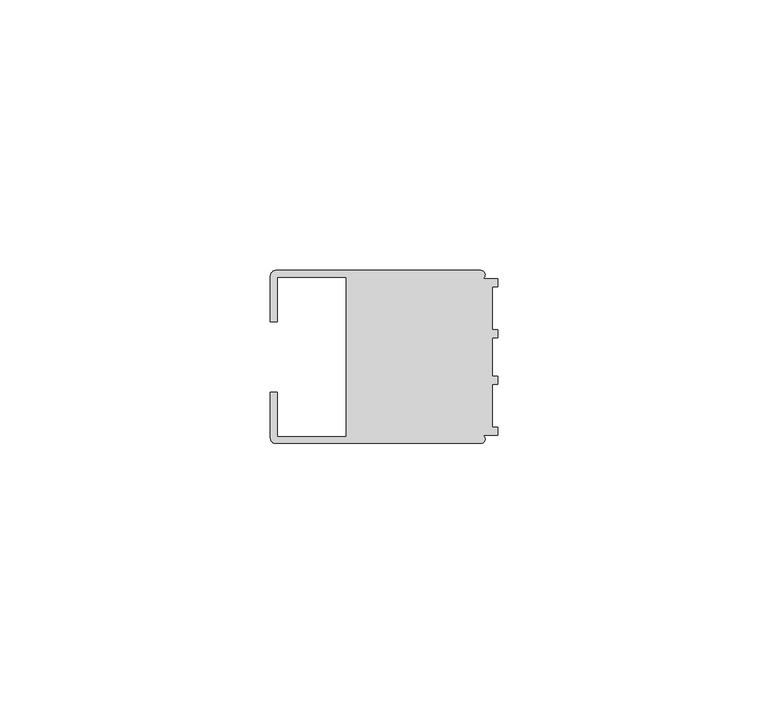
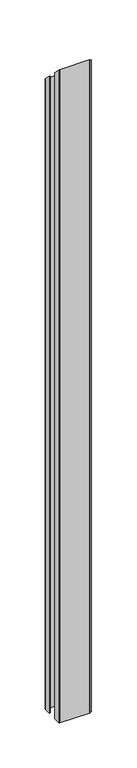
"""IFC4 building model written with IfcOpenShell, lengths in millimetres: member geometry."""

from ifc_helpers import new_model, si_unit, frame, origin, place, context, project, spatial, circle_curve, ellipse_curve, source, transform, mapped, element, save
from ifc_brep_helpers import plane_surface, cylinder_surface, advanced_brep


def member_e1ceaba9(model_context):
    return source(origin(), model_context, "Body", "AdvancedBrep", [
        advanced_brep(
        [(-42.0, -6.4992596, -872.7561968), (-40.7495396, -6.4992596, -872.7561968), (-40.7495396, -14.748825, -872.7561968), (-28.0, -14.748825, -872.7561968), (-28.0, 14.7490791, -872.7561968), (-40.7495396, 14.7490791, -872.7561968), (-40.7495396, 6.4995138, -872.7561968), (-42.0, 6.4995138, -872.7561968), (-42.0, 14.9988146, -872.7561968), (-40.9988146, 16.0, -872.7561968), (-3.1117213, 16.0, -872.7561968), (-2.7237818, 14.5004469, -872.7561968), (0.0, 14.5004469, -872.7561968), (0.0, 13.0002136, -872.7561968), (-0.999267, 13.0002136, -872.7561968), (-0.999267, 5.0005709, -872.7561968), (0.0, 5.0005709, -872.7561968), (0.0, 3.5391588, -872.7561968), (-0.999267, 3.5001879, -872.7561968), (-0.999267, -3.5001879, -872.7561968), (0.0, -3.5378881, -872.7561968), (0.0, -4.9993001, -872.7561968), (-0.999267, -4.9993001, -872.7561968), (-0.999267, -12.9993664, -872.7561968), (0.0, -12.9993664, -872.7561968), (0.0, -14.4989182, -872.7561968), (-2.7260256, -14.4989182, -872.7561968), (-3.1385263, -16.0, -872.7561968), (-40.998921, -16.0, -872.7561968), (-42.0, -14.998921, -872.7561968), (-42.0, -14.998921, 14.998921), (-42.0, -6.4992596, 6.4992596), (-40.998921, -16.0, 16.0), (-3.1385263, -16.0, 16.0), (-2.7260256, -14.4989182, 14.4989182), (0.0, -14.4989182, 14.4989182), (0.0, -12.9993664, 12.9993664), (-0.999267, -12.9993664, 12.9993664), (-0.999267, -4.9993001, 4.9993001), (0.0, -4.9993001, 4.9993001), (0.0, -3.5378881, 3.5378881), (-0.999267, -3.5001879, 3.5001879), (-0.999267, 3.5001879, -3.5001879), (0.0, 3.5391588, -3.5391588), (0.0, 5.0005709, -5.0005709), (-0.999267, 5.0005709, -5.0005709), (-0.999267, 13.0002136, -13.0002136), (0.0, 13.0002136, -13.0002136), (0.0, 14.5004469, -14.5004469), (-2.7237818, 14.5004469, -14.5004469), (-3.1117213, 16.0, -16.0), (-40.9988146, 16.0, -16.0), (-42.0, 14.9988146, -14.9988146), (-42.0, 6.4995138, -6.4995138), (-40.7495396, 6.4995138, -6.4995138), (-40.7495396, 14.7490791, -14.7490791), (-28.0, 14.7490791, -14.7490791), (-28.0, -14.748825, 14.748825), (-40.7495396, -14.748825, 14.748825), (-40.7495396, -6.4992596, 6.4992596)],
        [
            (0, 1),
            (1, 2),
            (2, 3),
            (3, 4),
            (4, 5),
            (5, 6),
            (6, 7),
            (7, 8),
            (8, 9, circle_curve(frame((-40.9988146, 14.9988146, -872.7561968), z_axis=(0.0, 0.0, -1.0), x_axis=(1.0, 0.0, 0.0)), 1.0011854)),
            (9, 10),
            (10, 11, circle_curve(frame((-3.1117213, 15.2000428, -872.7561968), z_axis=(0.0, 0.0, -1.0), x_axis=(1.0, 0.0, 0.0)), 0.7999572)),
            (11, 12),
            (12, 13),
            (13, 14),
            (14, 15),
            (15, 16),
            (16, 17),
            (17, 18),
            (18, 19),
            (19, 20),
            (20, 21),
            (21, 22),
            (22, 23),
            (23, 24),
            (24, 25),
            (25, 26),
            (26, 27, circle_curve(frame((-3.1117577, -15.2001372, -872.7561968), z_axis=(0.0, 0.0, -1.0), x_axis=(1.0, 0.0, 0.0)), 0.8003107)),
            (27, 28),
            (28, 29, circle_curve(frame((-40.998921, -14.998921, -872.7561968), z_axis=(0.0, 0.0, -1.0), x_axis=(1.0, 0.0, 0.0)), 1.001079)),
            (29, 0),
            (30, 31),
            (31, 0),
            (29, 30),
            (32, 30, ellipse_curve(frame((-40.998921, -14.998921, 14.998921), z_axis=(0.0, -0.7071067811865481, -0.707106781186547), x_axis=(0.0, -0.707106781186547, 0.7071067811865478)), 1.4157395, 1.001079)),
            (28, 32),
            (33, 32),
            (27, 33),
            (34, 33, ellipse_curve(frame((-3.1117577, -15.2001372, 15.2001372), z_axis=(0.0, -0.7071067811865481, -0.707106781186547), x_axis=(0.0, -0.707106781186547, 0.7071067811865478)), 1.1318102, 0.8003107)),
            (26, 34),
            (35, 34),
            (25, 35),
            (36, 35),
            (24, 36),
            (37, 36),
            (23, 37),
            (38, 37),
            (22, 38),
            (39, 38),
            (21, 39),
            (40, 39),
            (20, 40),
            (41, 40),
            (19, 41),
            (42, 41),
            (18, 42),
            (43, 42),
            (17, 43),
            (44, 43),
            (16, 44),
            (45, 44),
            (15, 45),
            (46, 45),
            (14, 46),
            (47, 46),
            (13, 47),
            (48, 47),
            (12, 48),
            (49, 48),
            (11, 49),
            (50, 49, ellipse_curve(frame((-3.1117213, 15.2000428, -15.2000428), z_axis=(0.0, -0.7071067811865481, -0.707106781186547), x_axis=(0.0, -0.707106781186547, 0.7071067811865478)), 1.1313103, 0.7999572)),
            (10, 50),
            (51, 50),
            (9, 51),
            (52, 51, ellipse_curve(frame((-40.9988146, 14.9988146, -14.9988146), z_axis=(0.0, -0.7071067811865481, -0.707106781186547), x_axis=(0.0, -0.707106781186547, 0.7071067811865478)), 1.41589, 1.0011854)),
            (8, 52),
            (53, 52),
            (7, 53),
            (54, 53),
            (6, 54),
            (55, 54),
            (5, 55),
            (56, 55),
            (4, 56),
            (57, 56),
            (3, 57),
            (58, 57),
            (2, 58),
            (59, 58),
            (1, 59),
            (31, 59),
        ],
        [
            plane_surface(frame((0.0, -44.5978433, -872.7561968), z_axis=(0.0, 0.0, -1.0), x_axis=(-1.0, 0.0, 0.0))),
            plane_surface(frame((-42.0, -6.4992596, 0.0), z_axis=(-1.0, 0.0, 0.0), x_axis=(0.0, 0.0, -1.0))),
            cylinder_surface(frame((-40.998921, -14.998921, 0.0), z_axis=(0.0, 0.0, 1.0), x_axis=(1.0, 0.0, 0.0)), 1.001079),
            plane_surface(frame((-40.998921, -16.0, 0.0), z_axis=(0.0, -1.0, 0.0), x_axis=(0.0, 0.0, -1.0))),
            cylinder_surface(frame((-3.1117577, -15.2001372, 0.0), z_axis=(0.0, 0.0, 1.0), x_axis=(1.0, 0.0, 0.0)), 0.8003107),
            plane_surface(frame((-2.7260256, -14.4989182, 0.0), z_axis=(0.0, -1.0, 0.0), x_axis=(0.0, 0.0, -1.0))),
            plane_surface(frame((0.0, -14.4989182, 0.0), z_axis=(1.0, 0.0, 0.0), x_axis=(0.0, 0.0, -1.0))),
            plane_surface(frame((0.0, -12.9993664, 0.0), z_axis=(0.0, 1.0, 0.0), x_axis=(0.0, 0.0, -1.0))),
            plane_surface(frame((-0.999267, -12.9993664, 0.0), z_axis=(1.0, 0.0, 0.0), x_axis=(0.0, 0.0, -1.0))),
            plane_surface(frame((-0.999267, -4.9993001, 0.0), z_axis=(0.0, -1.0, 0.0), x_axis=(0.0, 0.0, -1.0))),
            plane_surface(frame((0.0, -4.9993001, 0.0), z_axis=(1.0, 0.0, 0.0), x_axis=(0.0, 0.0, -1.0))),
            plane_surface(frame((0.0, -3.5378881, 0.0), z_axis=(0.03770102867816504, 0.9992890635029527, 0.0), x_axis=(0.0, 0.0, -1.0))),
            plane_surface(frame((-0.999267, -3.5001879, 0.0), z_axis=(1.0, 0.0, 0.0), x_axis=(0.0, 0.0, -1.0))),
            plane_surface(frame((-0.999267, 3.5001879, 0.0), z_axis=(0.03896995134810581, -0.999240382936922, 0.0), x_axis=(0.0, 0.0, -1.0))),
            plane_surface(frame((0.0, 3.5391588, 0.0), z_axis=(1.0, 0.0, 0.0), x_axis=(0.0, 0.0, -1.0))),
            plane_surface(frame((0.0, 5.0005709, 0.0), z_axis=(0.0, 1.0, 0.0), x_axis=(0.0, 0.0, -1.0))),
            plane_surface(frame((-0.999267, 5.0005709, 0.0), z_axis=(1.0, 0.0, 0.0), x_axis=(0.0, 0.0, -1.0))),
            plane_surface(frame((-0.999267, 13.0002136, 0.0), z_axis=(0.0, -1.0, 0.0), x_axis=(0.0, 0.0, -1.0))),
            plane_surface(frame((0.0, 13.0002136, 0.0), z_axis=(1.0, 0.0, 0.0), x_axis=(0.0, 0.0, -1.0))),
            plane_surface(frame((0.0, 14.5004469, 0.0), z_axis=(0.0, 1.0, 0.0), x_axis=(0.0, 0.0, -1.0))),
            cylinder_surface(frame((-3.1117213, 15.2000428, 0.0), z_axis=(0.0, 0.0, 1.0), x_axis=(1.0, 0.0, 0.0)), 0.7999572),
            plane_surface(frame((-3.1117213, 16.0, 0.0), z_axis=(0.0, 1.0, 0.0), x_axis=(0.0, 0.0, -1.0))),
            cylinder_surface(frame((-40.9988146, 14.9988146, 0.0), z_axis=(0.0, 0.0, 1.0), x_axis=(1.0, 0.0, 0.0)), 1.0011854),
            plane_surface(frame((-42.0, 14.9988146, 0.0), z_axis=(-1.0, 0.0, 0.0), x_axis=(0.0, 0.0, -1.0))),
            plane_surface(frame((-42.0, 6.4995138, 0.0), z_axis=(0.0, -1.0, 0.0), x_axis=(0.0, 0.0, -1.0))),
            plane_surface(frame((-40.7495396, 6.4995138, 0.0), z_axis=(1.0, 0.0, 0.0), x_axis=(0.0, 0.0, -1.0))),
            plane_surface(frame((-40.7495396, 14.7490791, 0.0), z_axis=(0.0, -1.0, 0.0), x_axis=(0.0, 0.0, -1.0))),
            plane_surface(frame((-28.0, 14.7490791, 0.0), z_axis=(-1.0, 0.0, 0.0), x_axis=(0.0, 0.0, -1.0))),
            plane_surface(frame((-28.0, -14.748825, 0.0), z_axis=(0.0, 1.0, 0.0), x_axis=(0.0, 0.0, -1.0))),
            plane_surface(frame((-40.7495396, -14.748825, 0.0), z_axis=(1.0, 0.0, 0.0), x_axis=(0.0, 0.0, -1.0))),
            plane_surface(frame((-40.7495396, -6.4992596, 0.0), z_axis=(0.0, 1.0, 0.0), x_axis=(0.0, 0.0, -1.0))),
            plane_surface(frame((-304.8, 0.0, 0.0), z_axis=(0.0, 0.7071067811865481, 0.707106781186547), x_axis=(0.0, 0.707106781186547, -0.7071067811865481))),
        ],
        [
            (0, [[1, 2, 3, 4, 5, 6, 7, 8, 9, 10, 11, 12, 13, 14, 15, 16, 17, 18, 19, 20, 21, 22, 23, 24, 25, 26, 27, 28, 29, 30]]),
            (1, [[31, 32, -30, 33]]),
            (2, [[34, -33, -29, 35]]),
            (3, [[36, -35, -28, 37]]),
            (4, [[38, -37, -27, 39]]),
            (5, [[40, -39, -26, 41]]),
            (6, [[42, -41, -25, 43]]),
            (7, [[44, -43, -24, 45]]),
            (8, [[46, -45, -23, 47]]),
            (9, [[48, -47, -22, 49]]),
            (10, [[50, -49, -21, 51]]),
            (11, [[52, -51, -20, 53]]),
            (12, [[54, -53, -19, 55]]),
            (13, [[56, -55, -18, 57]]),
            (14, [[58, -57, -17, 59]]),
            (15, [[60, -59, -16, 61]]),
            (16, [[62, -61, -15, 63]]),
            (17, [[64, -63, -14, 65]]),
            (18, [[66, -65, -13, 67]]),
            (19, [[68, -67, -12, 69]]),
            (20, [[70, -69, -11, 71]]),
            (21, [[72, -71, -10, 73]]),
            (22, [[74, -73, -9, 75]]),
            (23, [[76, -75, -8, 77]]),
            (24, [[78, -77, -7, 79]]),
            (25, [[80, -79, -6, 81]]),
            (26, [[82, -81, -5, 83]]),
            (27, [[84, -83, -4, 85]]),
            (28, [[86, -85, -3, 87]]),
            (29, [[88, -87, -2, 89]]),
            (30, [[90, -89, -1, -32]]),
            (31, [[-31, -34, -36, -38, -40, -42, -44, -46, -48, -50, -52, -54, -56, -58, -60, -62, -64, -66, -68, -70, -72, -74, -76, -78, -80, -82, -84, -86, -88, -90]]),
        ],
    ),
    ])


if __name__ == "__main__":
    model = new_model("IFC4")
    model_context = context("Model", 3, world=origin())
    ifc_project = project(units=[si_unit("LENGTHUNIT", "METRE", prefix="MILLI")], contexts=[model_context])
    site = spatial("IfcSite", under=ifc_project)
    building = spatial("IfcBuilding", under=site)
    placement = place(None, origin())
    member_shape = member_e1ceaba9(model_context)
    element("IfcMember", 1, at=placement, inside=building, context=model_context, shape_type="MappedRepresentation", body=[
        mapped(member_shape, transform((0.0, 0.0, 0.0), x_axis=(1.0, 0.0, 0.0), y_axis=(0.0, 1.0, 0.0), z_axis=(0.0, 0.0, 1.0))),
    ])
    save(model, "model.ifc")
